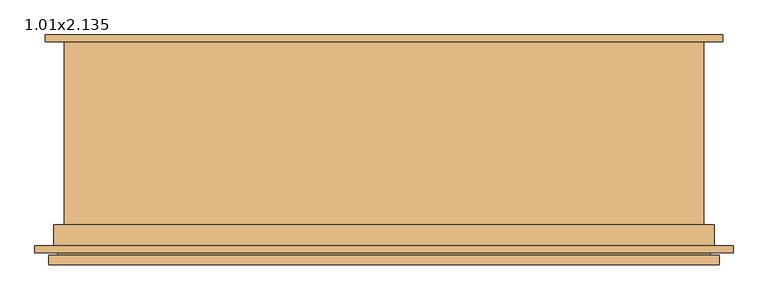
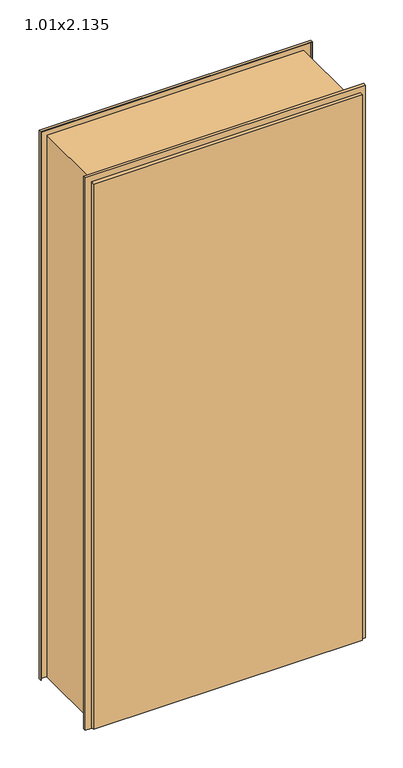
"""IFC4 building model written with IfcOpenShell, lengths in millimetres: door geometry, 1.01x2.135."""

import ifcopenshell
import ifcopenshell.guid

model = None  # the IFC model being written
_history = None  # IfcOwnerHistory: only IFC2X3 demands one
_inside = {}  # id of a spatial element -> (the spatial element, [elements in it])
_under = {}  # id of a project, library or spatial element -> (it, [spatial elements below it])
_declared = {}  # id of a project -> (the project, [libraries it declares])
_typed = {}  # id of a type object -> (the type object, [elements of that type])
_made_of = {}  # id of a material, layer set ... -> (it, [elements and type objects made of it])


def new_model(schema):
    """Start an empty IFC model of exactly this schema.

    Asked for "IFC4X3", IfcOpenShell would pick the latest addendum, in which some entities
    have other attributes; the version numbers below select the first issue.
    IFC2X3 requires an IfcOwnerHistory on every rooted entity: one is made here for all.
    """
    global model, _history
    if schema == "IFC4X3":
        model = ifcopenshell.file(schema_version=(4, 3, 0, 0))
    else:
        model = ifcopenshell.file(schema=schema)
    _inside.clear()
    _under.clear()
    _declared.clear()
    _typed.clear()
    _made_of.clear()
    _history = None
    if model.schema == "IFC2X3":
        org = make("IfcOrganization", Name="unknown")
        user = make(
            "IfcPersonAndOrganization",
            ThePerson=make("IfcPerson", FamilyName="unknown"),
            TheOrganization=org,
        )
        app = make(
            "IfcApplication",
            ApplicationDeveloper=org,
            Version="unknown",
            ApplicationFullName="unknown",
            ApplicationIdentifier="unknown",
        )
        _history = make(
            "IfcOwnerHistory",
            OwningUser=user,
            OwningApplication=app,
            ChangeAction="ADDED",
            CreationDate=0,
        )
    return model


def make(cls, **values):
    """One entity of the class cls with the attributes given. An attribute that is None is left unset."""
    return model.create_entity(
        cls, **{name: value for name, value in values.items() if value is not None}
    )


def rooted(cls, **values):
    """An entity with a GlobalId (a new one), such as an element, a storey or a relation."""
    return make(cls, GlobalId=ifcopenshell.guid.new(), OwnerHistory=_history, **values)


def si_unit(unit_type, name, prefix=None):
    """IfcSIUnit, for example si_unit("LENGTHUNIT", "METRE", prefix="MILLI")."""
    return make("IfcSIUnit", UnitType=unit_type, Prefix=prefix, Name=name)


def assignment(units):
    """IfcUnitAssignment: the units of a project."""
    return None if units is None else make("IfcUnitAssignment", Units=units)


def point(xyz):
    """IfcCartesianPoint."""
    return None if xyz is None else make("IfcCartesianPoint", Coordinates=xyz)


def direction(xyz):
    """IfcDirection."""
    return None if xyz is None else make("IfcDirection", DirectionRatios=xyz)


def frame(location, z_axis=None, x_axis=None):
    """IfcAxis2Placement3D, a coordinate frame: its origin and axes. An axis left out is left unset."""
    return make(
        "IfcAxis2Placement3D",
        Location=point(location),
        Axis=direction(z_axis),
        RefDirection=direction(x_axis),
    )


def origin():
    """The frame at (0, 0, 0) with its axes left unset."""
    return frame((0.0, 0.0, 0.0))


def place(relative_to, where):
    """IfcLocalPlacement: puts the frame where relative to a parent placement (None: the world)."""
    return make(
        "IfcLocalPlacement", PlacementRelTo=relative_to, RelativePlacement=where
    )


def context(
    kind, dimensions, precision=None, world=None, true_north=None, identifier=None
):
    """IfcGeometricRepresentationContext, for example the 3D "Model" context."""
    return make(
        "IfcGeometricRepresentationContext",
        ContextIdentifier=identifier,
        ContextType=kind,
        CoordinateSpaceDimension=dimensions,
        Precision=precision,
        WorldCoordinateSystem=world,
        TrueNorth=true_north,
    )


def project(units=None, contexts=None):
    """IfcProject with its units and contexts."""
    return rooted(
        "IfcProject",
        Name="project",
        RepresentationContexts=contexts,
        UnitsInContext=assignment(units),
    )


def spatial(cls, under=None, at=None, **own):
    """A site, building, storey or space (cls), placed at a placement, below another one or the project."""
    s = rooted(cls, ObjectPlacement=at, **own)
    if under is not None:
        _under.setdefault(under.id(), (under, []))[1].append(s)
    return s


def faces_of(points, faces, orient=None, outer=None):
    """IfcFace entities. A face is a list of loops; a loop is a list of indices into points, from 0.

    orient and outer hold one flag for each loop. By default every Orientation is true, the
    first loop of a face is its IfcFaceOuterBound and the others are IfcFaceBound.
    """
    made = []
    for i, loops in enumerate(faces):
        bounds = []
        for j, loop in enumerate(loops):
            is_outer = j == 0 if outer is None else outer[i][j]
            bounds.append(
                make(
                    "IfcFaceOuterBound" if is_outer else "IfcFaceBound",
                    Bound=make("IfcPolyLoop", Polygon=[points[k] for k in loop]),
                    Orientation=True if orient is None else orient[i][j],
                )
            )
        made.append(make("IfcFace", Bounds=bounds))
    return made


def faceted_brep(points, faces, orient=None, outer=None, voids=None):
    """IfcFacetedBrep: a solid bounded by flat faces; with voids (closed shells), ...WithVoids."""
    shared = [point(p) for p in points]
    hull = make("IfcClosedShell", CfsFaces=faces_of(shared, faces, orient, outer))
    if voids is None:
        return make("IfcFacetedBrep", Outer=hull)
    return make(
        "IfcFacetedBrepWithVoids",
        Outer=hull,
        Voids=[
            make(cls, CfsFaces=faces_of(shared, fs, o, b)) for cls, fs, o, b in voids
        ],
    )


def shape(context_of_items, identifier, shape_type, items):
    """IfcShapeRepresentation: the items that make up one representation, for example the "Body"."""
    return make(
        "IfcShapeRepresentation",
        ContextOfItems=context_of_items,
        RepresentationIdentifier=identifier,
        RepresentationType=shape_type,
        Items=items,
    )


def source(mapping_origin, context_of_items, identifier, shape_type, items):
    """IfcRepresentationMap: a shape defined once, which mapped items show again and again."""
    return make(
        "IfcRepresentationMap",
        MappingOrigin=mapping_origin,
        MappedRepresentation=shape(context_of_items, identifier, shape_type, items),
    )


def transform(
    local_origin,
    x_axis=None,
    y_axis=None,
    z_axis=None,
    scale=None,
    scale2=None,
    scale3=None,
    uniform=True,
):
    """IfcCartesianTransformationOperator3D, or its non-uniform kind. x_axis, y_axis, z_axis: its Axis1, 2, 3."""
    if uniform:
        return make(
            "IfcCartesianTransformationOperator3D",
            Axis1=direction(x_axis),
            Axis2=direction(y_axis),
            LocalOrigin=point(local_origin),
            Scale=scale,
            Axis3=direction(z_axis),
        )
    return make(
        "IfcCartesianTransformationOperator3DnonUniform",
        Axis1=direction(x_axis),
        Axis2=direction(y_axis),
        LocalOrigin=point(local_origin),
        Scale=scale,
        Axis3=direction(z_axis),
        Scale2=scale2,
        Scale3=scale3,
    )


def mapped(mapping_source, mapping_target):
    """IfcMappedItem: shows the shape of a source again, moved by a transform."""
    return make(
        "IfcMappedItem", MappingSource=mapping_source, MappingTarget=mapping_target
    )


def made_of(thing, what):
    """Note that an element or type object is made of a material, layer set ...; save() writes the relation."""
    if what is not None:
        _made_of.setdefault(what.id(), (what, []))[1].append(thing)
    return thing


def element(
    cls,
    number,
    at=None,
    inside=None,
    cuts=None,
    type_object=None,
    material=None,
    context=None,
    identifier="Body",
    shape_type=None,
    held_by="IfcProductDefinitionShape",
    body=None,
    shapes=None,
    **own,
):
    """One element of the class cls, such as IfcWall. Its Tag is "e" and its number.

    at: its placement. inside: the storey or other place that contains it. cuts: it is an
    opening in that element (IfcRelVoidsElement). A single representation is given by context,
    identifier, shape_type and body (its items); several are given by shapes. held_by: the class
    of the entity that holds the representations. save() writes the other relations.
    """
    e = rooted(cls, Tag="e%d" % number, ObjectPlacement=at, **own)
    if body is not None:
        shapes = [shape(context, identifier, shape_type, body)]
    if shapes is not None:
        e.Representation = make(held_by, Representations=shapes)
    if inside is not None:
        _inside.setdefault(inside.id(), (inside, []))[1].append(e)
    if cuts is not None:
        rooted(
            "IfcRelVoidsElement", RelatingBuildingElement=cuts, RelatedOpeningElement=e
        )
    if type_object is not None:
        _typed.setdefault(type_object.id(), (type_object, []))[1].append(e)
    return made_of(e, material)


def aggregate(whole, parts):
    """IfcRelAggregates: a whole, such as a stair, and the parts it consists of."""
    return rooted("IfcRelAggregates", RelatingObject=whole, RelatedObjects=parts)


def save(model, path):
    """Write the relations noted so far, then the file.

    IfcRelAggregates (storeys below a building ...), IfcRelContainedInSpatialStructure (elements
    in a storey), IfcRelDefinesByType, IfcRelAssociatesMaterial and IfcRelDeclares: one each for
    every whole, place, type object, material and project.
    """
    for whole, parts in _under.values():
        aggregate(whole, parts)
    for where, things in _inside.values():
        rooted(
            "IfcRelContainedInSpatialStructure",
            RelatedElements=things,
            RelatingStructure=where,
        )
    for kind, things in _typed.values():
        rooted("IfcRelDefinesByType", RelatedObjects=things, RelatingType=kind)
    for what, things in _made_of.values():
        rooted("IfcRelAssociatesMaterial", RelatedObjects=things, RelatingMaterial=what)
    for by, libraries in _declared.values():
        rooted("IfcRelDeclares", RelatingContext=by, RelatedDefinitions=libraries)
    model.write(path)


def door_1_01x2_135_15dd589a(model_context):
    return source(origin(), model_context, "Body", "Brep", [
        faceted_brep([(-492.5, -177.9346141, 177.5), (-479.5, -177.9346141, 177.5), (-479.5, -151.9346141, 177.5), (479.5, -151.9346141, 177.5), (479.5, -177.9346141, 177.5), (492.5, -177.9346141, 177.5), (492.5, -191.9346141, 177.5), (-492.5, -191.9346141, 177.5), (-492.5, -177.9346141, 2287.5), (-492.5, -191.9346141, 2287.5), (492.5, -191.9346141, 2287.5), (492.5, -177.9346141, 2287.5), (479.5, -177.9346141, 2274.5), (-479.5, -177.9346141, 2274.5), (479.5, -151.9346141, 2274.5), (-479.5, -151.9346141, 2274.5)], [[[0, 1, 2, 3, 4, 5, 6, 7]], [[8, 0, 7, 9]], [[9, 7, 6, 10]], [[10, 6, 5, 11]], [[11, 5, 4, 12, 13, 1, 0, 8]], [[12, 4, 3, 14]], [[14, 3, 2, 15]], [[15, 2, 1, 13]], [[8, 9, 10, 11]], [[15, 13, 12, 14]]]),
        faceted_brep([(513.0, -174.4346141, 170.0), (483.0, -174.4346141, 170.0), (483.0, -135.1086892, 170.0), (475.68192, -135.1086892, 170.0), (475.68192, -145.9346141, 170.0), (468.0, -145.9346141, 170.0), (468.0, 145.5653859, 170.0), (498.0, 145.5653859, 170.0), (498.0, 135.5653859, 170.0), (496.0, 135.5653859, 170.0), (496.0, 143.5653859, 170.0), (470.0, 143.5653859, 170.0), (470.0, -143.9346141, 170.0), (473.68192, -143.9346141, 170.0), (473.68192, -133.1086892, 170.0), (485.0, -133.1086892, 170.0), (485.0, -172.4346141, 170.0), (511.0, -172.4346141, 170.0), (511.0, -164.4346141, 170.0), (513.0, -164.4346141, 170.0), (513.0, -164.4346141, 2308.0), (513.0, -174.4346141, 2308.0), (511.0, -164.4346141, 2306.0), (-511.0, -164.4346141, 2306.0), (-511.0, -164.4346141, 170.0), (-513.0, -164.4346141, 170.0), (-513.0, -164.4346141, 2308.0), (511.0, -172.4346141, 2306.0), (485.0, -172.4346141, 2280.0), (-485.0, -172.4346141, 2280.0), (-485.0, -172.4346141, 170.0), (-511.0, -172.4346141, 170.0), (-511.0, -172.4346141, 2306.0), (485.0, -133.1086892, 2280.0), (473.68192, -133.1086892, 2268.68192), (-473.68192, -133.1086892, 2268.68192), (-473.68192, -133.1086892, 170.0), (-485.0, -133.1086892, 170.0), (-485.0, -133.1086892, 2280.0), (473.68192, -143.9346141, 2268.68192), (470.0, -143.9346141, 2265.0), (-470.0, -143.9346141, 2265.0), (-470.0, -143.9346141, 170.0), (-473.68192, -143.9346141, 170.0), (-473.68192, -143.9346141, 2268.68192), (470.0, 143.5653859, 2265.0), (496.0, 143.5653859, 2291.0), (-496.0, 143.5653859, 2291.0), (-496.0, 143.5653859, 170.0), (-470.0, 143.5653859, 170.0), (-470.0, 143.5653859, 2265.0), (496.0, 135.5653859, 2291.0), (498.0, 135.5653859, 2293.0), (-498.0, 135.5653859, 2293.0), (-498.0, 135.5653859, 170.0), (-496.0, 135.5653859, 170.0), (-496.0, 135.5653859, 2291.0), (498.0, 145.5653859, 2293.0), (468.0, 145.5653859, 2263.0), (-468.0, 145.5653859, 2263.0), (-468.0, 145.5653859, 170.0), (-498.0, 145.5653859, 170.0), (-498.0, 145.5653859, 2293.0), (468.0, -145.9346141, 2263.0), (475.68192, -145.9346141, 2270.68192), (-475.68192, -145.9346141, 2270.68192), (-475.68192, -145.9346141, 170.0), (-468.0, -145.9346141, 170.0), (-468.0, -145.9346141, 2263.0), (475.68192, -135.1086892, 2270.68192), (483.0, -135.1086892, 2278.0), (-483.0, -135.1086892, 2278.0), (-483.0, -135.1086892, 170.0), (-475.68192, -135.1086892, 170.0), (-475.68192, -135.1086892, 2270.68192), (483.0, -174.4346141, 2278.0), (-513.0, -174.4346141, 2308.0), (-513.0, -174.4346141, 170.0), (-483.0, -174.4346141, 170.0), (-483.0, -174.4346141, 2278.0)], [[[0, 1, 2, 3, 4, 5, 6, 7, 8, 9, 10, 11, 12, 13, 14, 15, 16, 17, 18, 19]], [[19, 20, 21, 0]], [[18, 22, 23, 24, 25, 26, 20, 19]], [[17, 27, 22, 18]], [[16, 28, 29, 30, 31, 32, 27, 17]], [[15, 33, 28, 16]], [[14, 34, 35, 36, 37, 38, 33, 15]], [[13, 39, 34, 14]], [[12, 40, 41, 42, 43, 44, 39, 13]], [[11, 45, 40, 12]], [[10, 46, 47, 48, 49, 50, 45, 11]], [[9, 51, 46, 10]], [[8, 52, 53, 54, 55, 56, 51, 9]], [[7, 57, 52, 8]], [[6, 58, 59, 60, 61, 62, 57, 7]], [[5, 63, 58, 6]], [[4, 64, 65, 66, 67, 68, 63, 5]], [[3, 69, 64, 4]], [[2, 70, 71, 72, 73, 74, 69, 3]], [[1, 75, 70, 2]], [[0, 21, 76, 77, 78, 79, 75, 1]], [[26, 25, 77, 76]], [[77, 25, 24, 31, 30, 37, 36, 43, 42, 49, 48, 55, 54, 61, 60, 67, 66, 73, 72, 78]], [[32, 31, 24, 23]], [[38, 37, 30, 29]], [[44, 43, 36, 35]], [[50, 49, 42, 41]], [[56, 55, 48, 47]], [[62, 61, 54, 53]], [[68, 67, 60, 59]], [[74, 73, 66, 65]], [[79, 78, 72, 71]], [[20, 26, 76, 21]], [[27, 32, 23, 22]], [[33, 38, 29, 28]], [[39, 44, 35, 34]], [[45, 50, 41, 40]], [[51, 56, 47, 46]], [[57, 62, 53, 52]], [[63, 68, 59, 58]], [[69, 74, 65, 64]], [[75, 79, 71, 70]]]),
    ])


if __name__ == "__main__":
    model = new_model("IFC4")
    model_context = context("Model", 3, world=origin())
    ifc_project = project(units=[si_unit("LENGTHUNIT", "METRE", prefix="MILLI")], contexts=[model_context])
    site = spatial("IfcSite", under=ifc_project)
    building = spatial("IfcBuilding", under=site)
    placement = place(None, origin())
    door_1_01x2_135_shape = door_1_01x2_135_15dd589a(model_context)
    element("IfcDoor", 1, ObjectType="1.01x2.135", at=placement, inside=building, context=model_context, shape_type="MappedRepresentation", body=[
        mapped(door_1_01x2_135_shape, transform((0.0, 0.0, 0.0), x_axis=(1.0, 0.0, 0.0), y_axis=(0.0, 1.0, 0.0), z_axis=(0.0, 0.0, 1.0))),
    ])
    save(model, "model.ifc")
